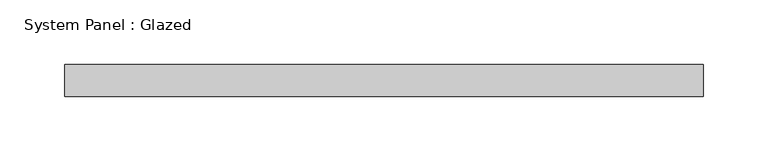
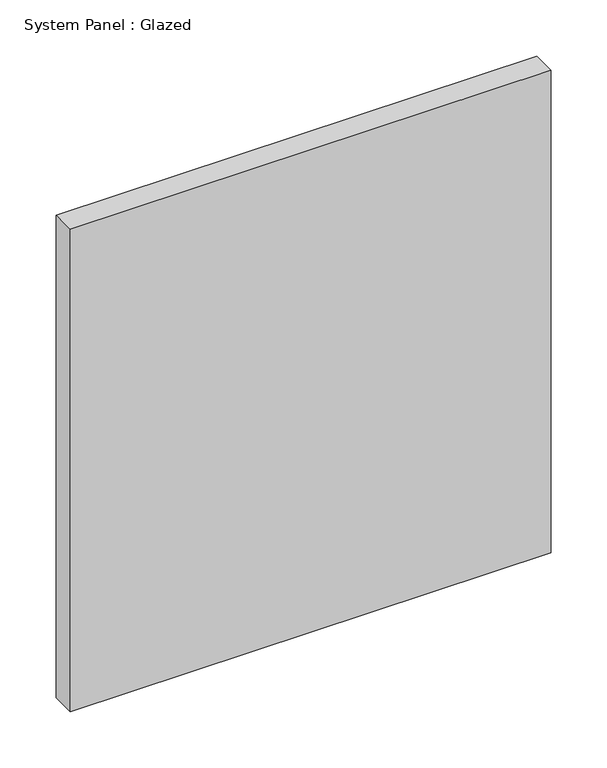
"""IFC4 building model written with IfcOpenShell, lengths in millimetres: plate geometry, System Panel : Glazed."""

from ifc_helpers import new_model, si_unit, origin, origin_with_axes, place, context, project, spatial, polyline, outline, extrude, source, transform, mapped, element, save


def system_panel_glazed_4220dcab(model_context):
    return source(origin(), model_context, "Body", "SweptSolid", [
        extrude(outline(polyline([(247.5, 24.5), (-247.5, 24.5), (-247.5, 49.5), (247.5, 49.5), (247.5, 24.5)])), origin_with_axes(), (0.0, 0.0, 1.0), 525.0),
    ])


if __name__ == "__main__":
    model = new_model("IFC4")
    model_context = context("Model", 3, world=origin())
    ifc_project = project(units=[si_unit("LENGTHUNIT", "METRE", prefix="MILLI")], contexts=[model_context])
    site = spatial("IfcSite", under=ifc_project)
    building = spatial("IfcBuilding", under=site)
    placement = place(None, origin())
    system_panel_glazed_shape = system_panel_glazed_4220dcab(model_context)
    element("IfcPlate", 1, ObjectType="System Panel : Glazed", at=placement, inside=building, context=model_context, shape_type="MappedRepresentation", body=[
        mapped(system_panel_glazed_shape, transform((0.0, 0.0, 0.0), x_axis=(1.0, 0.0, 0.0), y_axis=(0.0, 1.0, 0.0), z_axis=(0.0, 0.0, 1.0))),
    ])
    save(model, "model.ifc")
